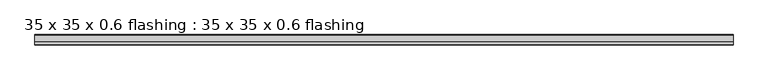
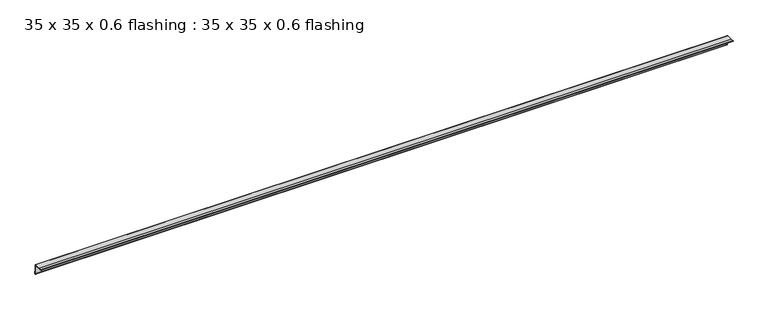
"""IFC4 building model written with IfcOpenShell, lengths in millimetres: proxy geometry, 35 x 35 x 0.6 flashing : 35 x 35 x 0.6 flashing."""

from ifc_helpers import new_model, si_unit, point, frame, frame_2d, origin, place, context, project, spatial, polyline, circle_curve, trimmed, segment, composite_curve, outline, extrude, source, transform, mapped, element, save


def proxy_35_x_35_x_0_6_flashing_35_x_35_x_0_6_flashing_b810a75a(model_context):
    return source(origin(), model_context, "Body", "SweptSolid", [
        extrude(outline(composite_curve([segment(polyline([(881.6461443, 1450.3887038), (904.1461443, 1450.3887038)]), True, "CONTINUOUS"), segment(trimmed(circle_curve(frame_2d((904.1461443, 1447.8887038)), 2.5), [point((904.1461443, 1450.3887038))], [point((906.6461443, 1447.8887038))], False, "CARTESIAN"), True, "CONTINUOUS"), segment(polyline([(906.6461443, 1447.8887038), (906.6461443, 1425.3887038), (907.6461443, 1425.3887038), (907.6461443, 1416.3560264)]), True, "CONTINUOUS"), segment(trimmed(circle_curve(frame_2d((906.6461443, 1416.3560264)), 1.0), [point((907.6461443, 1416.3560264))], [point((905.6461443, 1416.3560264))], False, "CARTESIAN"), True, "CONTINUOUS"), segment(polyline([(905.6461443, 1416.3560264), (905.6461443, 1447.8887038)]), True, "CONTINUOUS"), segment(trimmed(circle_curve(frame_2d((904.1461443, 1447.8887038)), 1.5), [point((905.6461443, 1447.8887038))], [point((904.1461443, 1449.3887038))], True, "CARTESIAN"), True, "CONTINUOUS"), segment(polyline([(904.1461443, 1449.3887038), (872.6443602, 1449.3887038)]), True, "CONTINUOUS"), segment(trimmed(circle_curve(frame_2d((872.6443602, 1450.3887038)), 1.0), [point((872.6443602, 1449.3887038))], [point((872.6443602, 1451.3887038))], False, "CARTESIAN"), True, "CONTINUOUS"), segment(polyline([(872.6443602, 1451.3887038), (881.6461443, 1451.3887038), (881.6461443, 1450.3887038)]), True, "CONTINUOUS")], self_intersect=False)), frame((-10619.6640929, 0.0, 0.0), z_axis=(1.0, 0.0, 0.0), x_axis=(0.0, 1.0, 0.0)), (0.0, 0.0, 1.0), 2410.6438934),
    ])


if __name__ == "__main__":
    model = new_model("IFC4")
    model_context = context("Model", 3, world=origin())
    ifc_project = project(units=[si_unit("LENGTHUNIT", "METRE", prefix="MILLI")], contexts=[model_context])
    site = spatial("IfcSite", under=ifc_project)
    building = spatial("IfcBuilding", under=site)
    placement = place(None, origin())
    proxy_35_x_35_x_0_6_flashing_35_x_35_x_0_6_flashing_shape = proxy_35_x_35_x_0_6_flashing_35_x_35_x_0_6_flashing_b810a75a(model_context)
    element("IfcBuildingElementProxy", 1, Name="35 x 35 x 0.6 flashing : 35 x 35 x 0.6 flashing", ObjectType="35 x 35 x 0.6 flashing : 35 x 35 x 0.6 flashing", at=placement, inside=building, context=model_context, shape_type="MappedRepresentation", body=[
        mapped(proxy_35_x_35_x_0_6_flashing_35_x_35_x_0_6_flashing_shape, transform((0.0, 0.0, 0.0), x_axis=(1.0, 0.0, 0.0), y_axis=(0.0, 1.0, 0.0), z_axis=(0.0, 0.0, 1.0))),
    ])
    save(model, "model.ifc")
